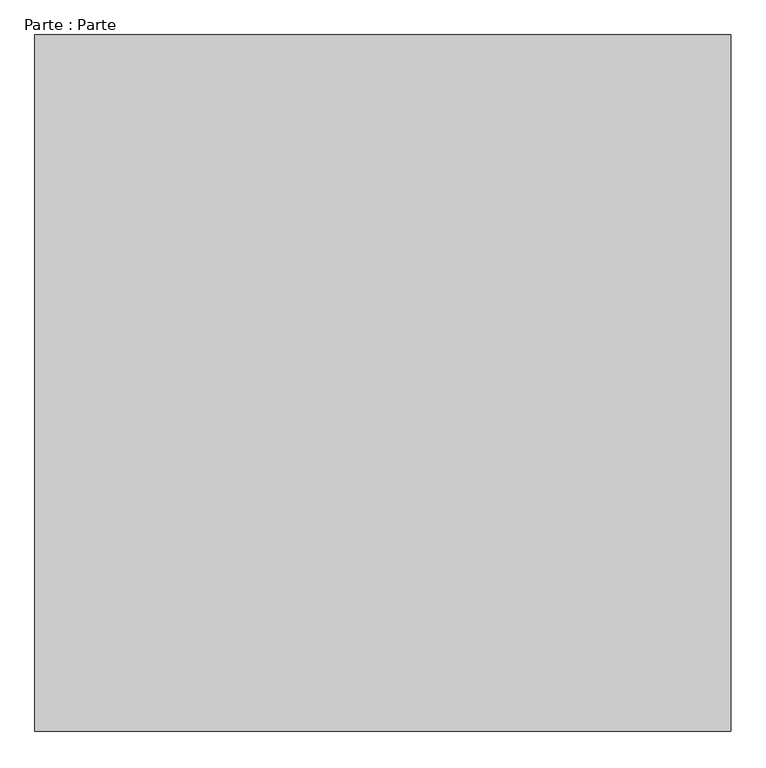
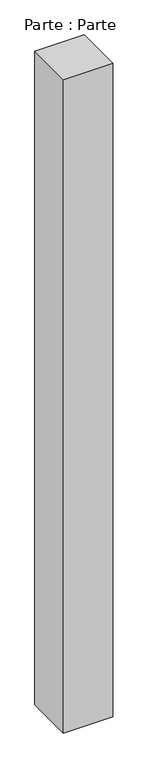
"""IFC4 building model written with IfcOpenShell, lengths in millimetres: proxy geometry, Parte : Parte."""

from ifc_helpers import new_model, si_unit, origin, origin_with_axes, place, context, project, spatial, polyline, outline, extrude, source, transform, mapped, element, save


def parte_parte_e9bc2aeb(model_context):
    return source(origin(), model_context, "Body", "SweptSolid", [
        extrude(outline(polyline([(293.1364616, 621.025111), (293.1364616, -378.974889), (-706.8635384, -378.974889), (-706.8635384, 621.025111), (293.1364616, 621.025111)])), origin_with_axes(), (0.0, 0.0, 1.0), 14000.0),
    ])


if __name__ == "__main__":
    model = new_model("IFC4")
    model_context = context("Model", 3, world=origin())
    ifc_project = project(units=[si_unit("LENGTHUNIT", "METRE", prefix="MILLI")], contexts=[model_context])
    site = spatial("IfcSite", under=ifc_project)
    building = spatial("IfcBuilding", under=site)
    placement = place(None, origin())
    parte_parte_shape = parte_parte_e9bc2aeb(model_context)
    element("IfcBuildingElementProxy", 1, Name="Parte : Parte", ObjectType="Parte : Parte", at=placement, inside=building, context=model_context, shape_type="MappedRepresentation", body=[
        mapped(parte_parte_shape, transform((0.0, 0.0, 0.0), x_axis=(1.0, 0.0, 0.0), y_axis=(0.0, 1.0, 0.0), z_axis=(0.0, 0.0, 1.0))),
    ])
    save(model, "model.ifc")
